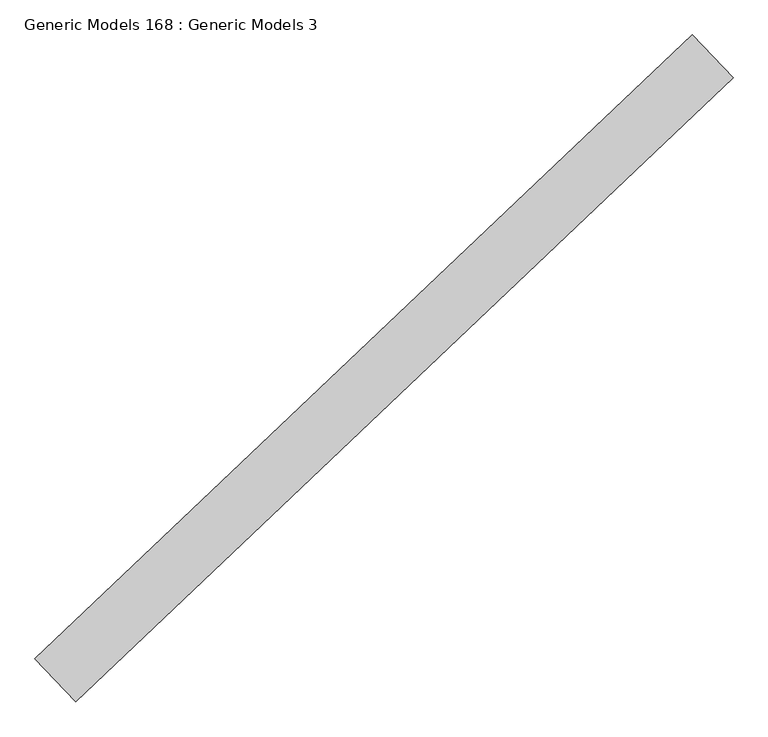
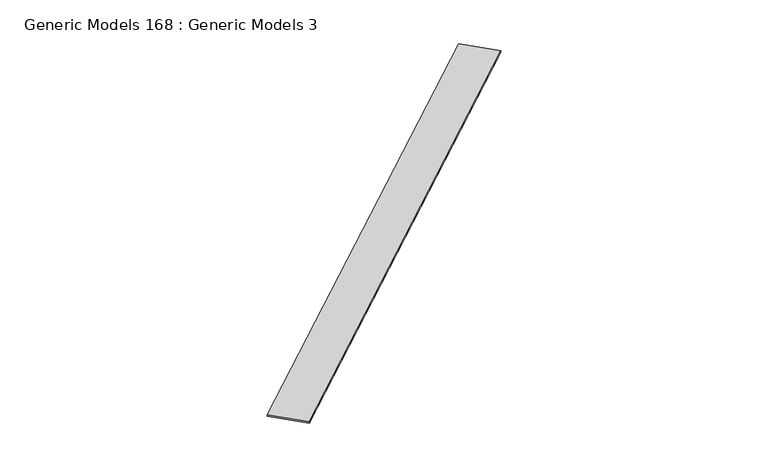
"""IFC4 building model written with IfcOpenShell, lengths in millimetres: proxy geometry, Generic Models 168 : Generic Models 3."""

from ifc_helpers import new_model, si_unit, frame, origin, place, context, project, spatial, polyline, outline, extrude, source, transform, mapped, element, save


def generic_models_168_generic_models_3_1f2f8f15(model_context):
    return source(origin(), model_context, "Body", "SweptSolid", [
        extrude(outline(polyline([(105130.5132366, 58225.0353506), (105333.7671339, 58010.8504332), (102047.2953368, 54892.1051482), (101844.0414395, 55106.2900656), (105130.5132366, 58225.0353506)])), frame((0.0, 0.0, 18633.1233985), z_axis=(0.0, 0.0, 1.0), x_axis=(1.0, 0.0, 0.0)), (0.0, 0.0, 1.0), 12.7),
    ])


if __name__ == "__main__":
    model = new_model("IFC4")
    model_context = context("Model", 3, world=origin())
    ifc_project = project(units=[si_unit("LENGTHUNIT", "METRE", prefix="MILLI")], contexts=[model_context])
    site = spatial("IfcSite", under=ifc_project)
    building = spatial("IfcBuilding", under=site)
    placement = place(None, origin())
    generic_models_168_generic_models_3_shape = generic_models_168_generic_models_3_1f2f8f15(model_context)
    element("IfcBuildingElementProxy", 1, Name="Generic Models 168 : Generic Models 3", ObjectType="Generic Models 168 : Generic Models 3", at=placement, inside=building, context=model_context, shape_type="MappedRepresentation", body=[
        mapped(generic_models_168_generic_models_3_shape, transform((0.0, 0.0, 0.0), x_axis=(1.0, 0.0, 0.0), y_axis=(0.0, 1.0, 0.0), z_axis=(0.0, 0.0, 1.0))),
    ])
    save(model, "model.ifc")
